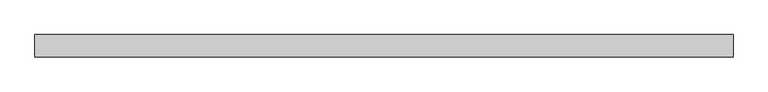
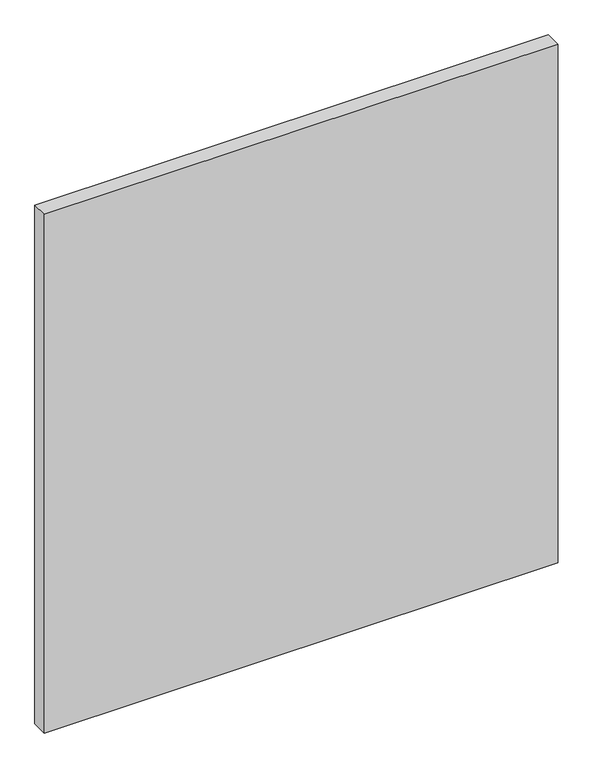
"""IFC4 building model written with IfcOpenShell, lengths in millimetres: plate geometry."""

from ifc_helpers import new_model, si_unit, origin, origin_with_axes, place, context, project, spatial, polyline, outline, extrude, source, transform, mapped, element, save


def plate_96d23988(model_context):
    return source(origin(), model_context, "Body", "SweptSolid", [
        extrude(outline(polyline([(825.3488491, -26.19375), (-825.3488491, -26.19375), (-825.3488491, 26.19375), (825.3488491, 26.19375), (825.3488491, -26.19375)])), origin_with_axes(), (0.0, 0.0, 1.0), 1761.3),
    ])


if __name__ == "__main__":
    model = new_model("IFC4")
    model_context = context("Model", 3, world=origin())
    ifc_project = project(units=[si_unit("LENGTHUNIT", "METRE", prefix="MILLI")], contexts=[model_context])
    site = spatial("IfcSite", under=ifc_project)
    building = spatial("IfcBuilding", under=site)
    placement = place(None, origin())
    plate_shape = plate_96d23988(model_context)
    element("IfcPlate", 1, at=placement, inside=building, context=model_context, shape_type="MappedRepresentation", body=[
        mapped(plate_shape, transform((0.0, 0.0, 0.0), x_axis=(1.0, 0.0, 0.0), y_axis=(0.0, 1.0, 0.0), z_axis=(0.0, 0.0, 1.0))),
    ])
    save(model, "model.ifc")
